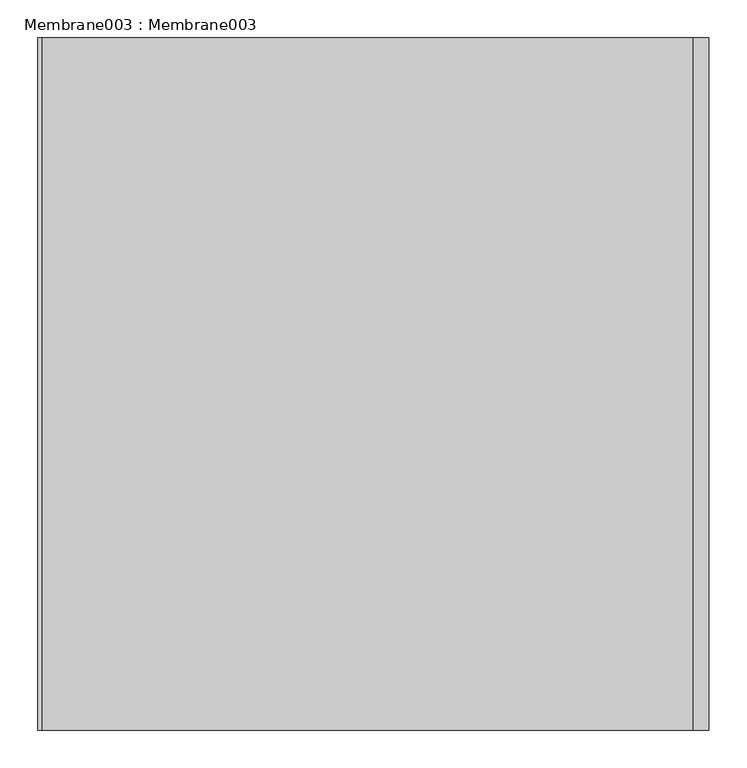
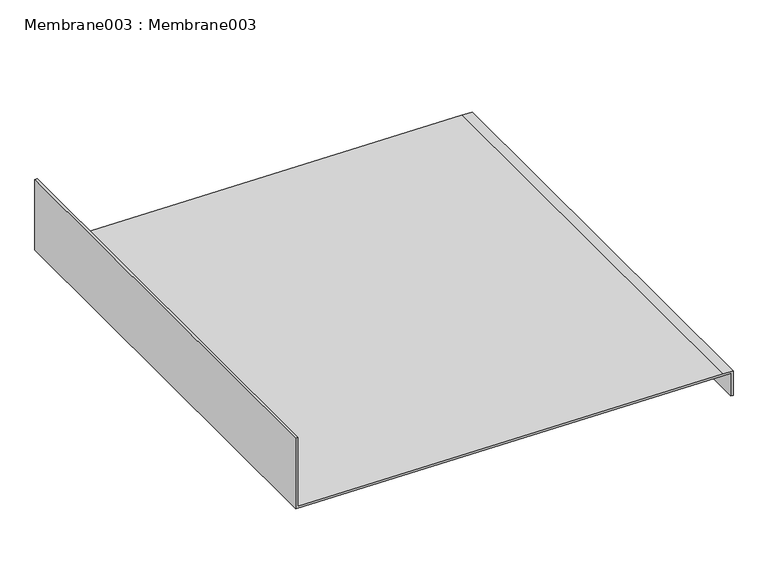
"""IFC4 building model written with IfcOpenShell, lengths in millimetres: proxy geometry, Membrane003 : Membrane003."""

from ifc_helpers import new_model, si_unit, frame, origin, place, context, project, spatial, polyline, outline, extrude, source, transform, mapped, element, save


def membrane003_membrane003_def781ab(model_context):
    return source(origin(), model_context, "Body", "SweptSolid", [
        extrude(outline(polyline([(2942.3820597, 38241.4524207), (3089.4273338, 38241.4524207), (3089.4273338, 38236.5336708), (2938.1227029, 38236.5336708), (2919.8605668, 39117.6339038), (2871.4422625, 39117.6339038), (2871.4422625, 39122.7128101), (2924.1490734, 39122.7128101), (2924.5550397, 39101.5594407), (2942.3820597, 38241.4524207)])), frame((0.0, -25196.3529946, 0.0), z_axis=(0.0, 1.0, 0.0), x_axis=(0.0, 0.0, 1.0)), (0.0, 0.0, 1.0), 914.4),
    ])


if __name__ == "__main__":
    model = new_model("IFC4")
    model_context = context("Model", 3, world=origin())
    ifc_project = project(units=[si_unit("LENGTHUNIT", "METRE", prefix="MILLI")], contexts=[model_context])
    site = spatial("IfcSite", under=ifc_project)
    building = spatial("IfcBuilding", under=site)
    placement = place(None, origin())
    membrane003_membrane003_shape = membrane003_membrane003_def781ab(model_context)
    element("IfcBuildingElementProxy", 1, Name="Membrane003 : Membrane003", ObjectType="Membrane003 : Membrane003", at=placement, inside=building, context=model_context, shape_type="MappedRepresentation", body=[
        mapped(membrane003_membrane003_shape, transform((0.0, 0.0, 0.0), x_axis=(1.0, 0.0, 0.0), y_axis=(0.0, 1.0, 0.0), z_axis=(0.0, 0.0, 1.0))),
    ])
    save(model, "model.ifc")
